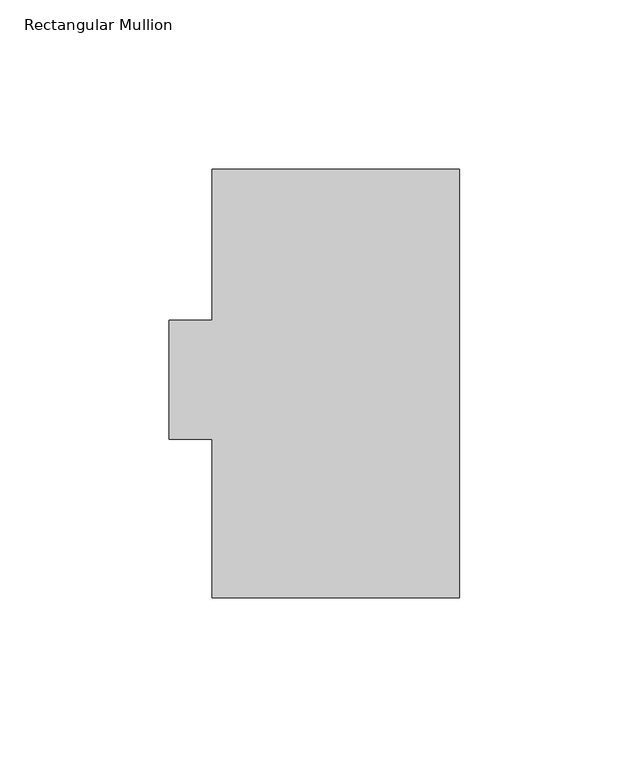
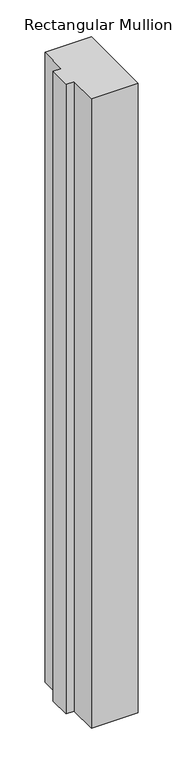
"""IFC4 building model written with IfcOpenShell, lengths in millimetres: member geometry, Rectangular Mullion."""

from ifc_helpers import new_model, si_unit, frame, origin, place, context, project, spatial, polyline, outline, extrude, source, transform, mapped, element, save


def rectangular_mullion_96d9fcbb(model_context):
    return source(origin(), model_context, "Body", "SweptSolid", [
        extrude(outline(polyline([(-73.025, 126.46025), (0.0, 126.46025), (0.0, -0.03175), (-73.025, -0.03175), (-73.025, 46.83125), (-85.725, 46.83125), (-85.725, 82.01025), (-73.025, 82.01025), (-73.025, 126.46025)])), frame((0.0, 0.0, -1041.3994574), z_axis=(0.0, 0.0, 1.0), x_axis=(1.0, 0.0, 0.0)), (0.0, 0.0, 1.0), 1041.3994574),
    ])


if __name__ == "__main__":
    model = new_model("IFC4")
    model_context = context("Model", 3, world=origin())
    ifc_project = project(units=[si_unit("LENGTHUNIT", "METRE", prefix="MILLI")], contexts=[model_context])
    site = spatial("IfcSite", under=ifc_project)
    building = spatial("IfcBuilding", under=site)
    placement = place(None, origin())
    rectangular_mullion_shape = rectangular_mullion_96d9fcbb(model_context)
    element("IfcMember", 1, ObjectType="Rectangular Mullion", at=placement, inside=building, context=model_context, shape_type="MappedRepresentation", body=[
        mapped(rectangular_mullion_shape, transform((0.0, 0.0, 0.0), x_axis=(1.0, 0.0, 0.0), y_axis=(0.0, 1.0, 0.0), z_axis=(0.0, 0.0, 1.0))),
    ])
    save(model, "model.ifc")
